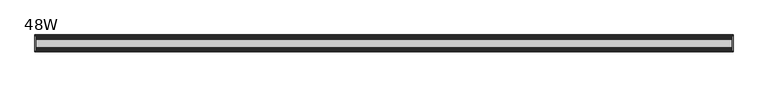
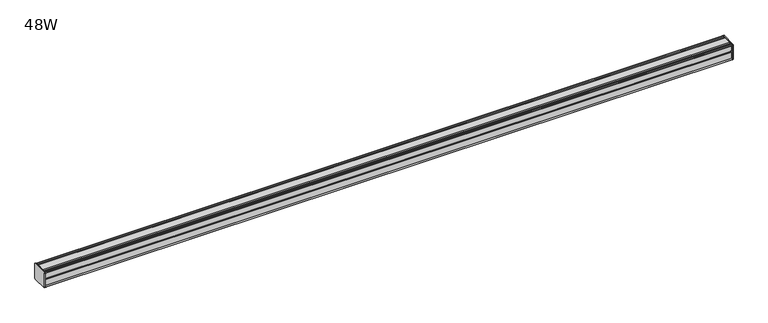
"""IFC4 building model written with IfcOpenShell, lengths in millimetres: furniture geometry, 48W."""

import ifcopenshell
import ifcopenshell.guid

model = None  # the IFC model being written
_history = None  # IfcOwnerHistory: only IFC2X3 demands one
_inside = {}  # id of a spatial element -> (the spatial element, [elements in it])
_under = {}  # id of a project, library or spatial element -> (it, [spatial elements below it])
_declared = {}  # id of a project -> (the project, [libraries it declares])
_typed = {}  # id of a type object -> (the type object, [elements of that type])
_made_of = {}  # id of a material, layer set ... -> (it, [elements and type objects made of it])


def new_model(schema):
    """Start an empty IFC model of exactly this schema.

    Asked for "IFC4X3", IfcOpenShell would pick the latest addendum, in which some entities
    have other attributes; the version numbers below select the first issue.
    IFC2X3 requires an IfcOwnerHistory on every rooted entity: one is made here for all.
    """
    global model, _history
    if schema == "IFC4X3":
        model = ifcopenshell.file(schema_version=(4, 3, 0, 0))
    else:
        model = ifcopenshell.file(schema=schema)
    _inside.clear()
    _under.clear()
    _declared.clear()
    _typed.clear()
    _made_of.clear()
    _history = None
    if model.schema == "IFC2X3":
        org = make("IfcOrganization", Name="unknown")
        user = make(
            "IfcPersonAndOrganization",
            ThePerson=make("IfcPerson", FamilyName="unknown"),
            TheOrganization=org,
        )
        app = make(
            "IfcApplication",
            ApplicationDeveloper=org,
            Version="unknown",
            ApplicationFullName="unknown",
            ApplicationIdentifier="unknown",
        )
        _history = make(
            "IfcOwnerHistory",
            OwningUser=user,
            OwningApplication=app,
            ChangeAction="ADDED",
            CreationDate=0,
        )
    return model


def make(cls, **values):
    """One entity of the class cls with the attributes given. An attribute that is None is left unset."""
    return model.create_entity(
        cls, **{name: value for name, value in values.items() if value is not None}
    )


def rooted(cls, **values):
    """An entity with a GlobalId (a new one), such as an element, a storey or a relation."""
    return make(cls, GlobalId=ifcopenshell.guid.new(), OwnerHistory=_history, **values)


def si_unit(unit_type, name, prefix=None):
    """IfcSIUnit, for example si_unit("LENGTHUNIT", "METRE", prefix="MILLI")."""
    return make("IfcSIUnit", UnitType=unit_type, Prefix=prefix, Name=name)


def assignment(units):
    """IfcUnitAssignment: the units of a project."""
    return None if units is None else make("IfcUnitAssignment", Units=units)


def point(xyz):
    """IfcCartesianPoint."""
    return None if xyz is None else make("IfcCartesianPoint", Coordinates=xyz)


def direction(xyz):
    """IfcDirection."""
    return None if xyz is None else make("IfcDirection", DirectionRatios=xyz)


def frame(location, z_axis=None, x_axis=None):
    """IfcAxis2Placement3D, a coordinate frame: its origin and axes. An axis left out is left unset."""
    return make(
        "IfcAxis2Placement3D",
        Location=point(location),
        Axis=direction(z_axis),
        RefDirection=direction(x_axis),
    )


def origin():
    """The frame at (0, 0, 0) with its axes left unset."""
    return frame((0.0, 0.0, 0.0))


def place(relative_to, where):
    """IfcLocalPlacement: puts the frame where relative to a parent placement (None: the world)."""
    return make(
        "IfcLocalPlacement", PlacementRelTo=relative_to, RelativePlacement=where
    )


def context(
    kind, dimensions, precision=None, world=None, true_north=None, identifier=None
):
    """IfcGeometricRepresentationContext, for example the 3D "Model" context."""
    return make(
        "IfcGeometricRepresentationContext",
        ContextIdentifier=identifier,
        ContextType=kind,
        CoordinateSpaceDimension=dimensions,
        Precision=precision,
        WorldCoordinateSystem=world,
        TrueNorth=true_north,
    )


def project(units=None, contexts=None):
    """IfcProject with its units and contexts."""
    return rooted(
        "IfcProject",
        Name="project",
        RepresentationContexts=contexts,
        UnitsInContext=assignment(units),
    )


def spatial(cls, under=None, at=None, **own):
    """A site, building, storey or space (cls), placed at a placement, below another one or the project."""
    s = rooted(cls, ObjectPlacement=at, **own)
    if under is not None:
        _under.setdefault(under.id(), (under, []))[1].append(s)
    return s


def circle_curve(where, radius):
    """IfcCircle in the frame where."""
    return make("IfcCircle", Position=where, Radius=radius)


def shape(context_of_items, identifier, shape_type, items):
    """IfcShapeRepresentation: the items that make up one representation, for example the "Body"."""
    return make(
        "IfcShapeRepresentation",
        ContextOfItems=context_of_items,
        RepresentationIdentifier=identifier,
        RepresentationType=shape_type,
        Items=items,
    )


def source(mapping_origin, context_of_items, identifier, shape_type, items):
    """IfcRepresentationMap: a shape defined once, which mapped items show again and again."""
    return make(
        "IfcRepresentationMap",
        MappingOrigin=mapping_origin,
        MappedRepresentation=shape(context_of_items, identifier, shape_type, items),
    )


def transform(
    local_origin,
    x_axis=None,
    y_axis=None,
    z_axis=None,
    scale=None,
    scale2=None,
    scale3=None,
    uniform=True,
):
    """IfcCartesianTransformationOperator3D, or its non-uniform kind. x_axis, y_axis, z_axis: its Axis1, 2, 3."""
    if uniform:
        return make(
            "IfcCartesianTransformationOperator3D",
            Axis1=direction(x_axis),
            Axis2=direction(y_axis),
            LocalOrigin=point(local_origin),
            Scale=scale,
            Axis3=direction(z_axis),
        )
    return make(
        "IfcCartesianTransformationOperator3DnonUniform",
        Axis1=direction(x_axis),
        Axis2=direction(y_axis),
        LocalOrigin=point(local_origin),
        Scale=scale,
        Axis3=direction(z_axis),
        Scale2=scale2,
        Scale3=scale3,
    )


def mapped(mapping_source, mapping_target):
    """IfcMappedItem: shows the shape of a source again, moved by a transform."""
    return make(
        "IfcMappedItem", MappingSource=mapping_source, MappingTarget=mapping_target
    )


def made_of(thing, what):
    """Note that an element or type object is made of a material, layer set ...; save() writes the relation."""
    if what is not None:
        _made_of.setdefault(what.id(), (what, []))[1].append(thing)
    return thing


def element(
    cls,
    number,
    at=None,
    inside=None,
    cuts=None,
    type_object=None,
    material=None,
    context=None,
    identifier="Body",
    shape_type=None,
    held_by="IfcProductDefinitionShape",
    body=None,
    shapes=None,
    **own,
):
    """One element of the class cls, such as IfcWall. Its Tag is "e" and its number.

    at: its placement. inside: the storey or other place that contains it. cuts: it is an
    opening in that element (IfcRelVoidsElement). A single representation is given by context,
    identifier, shape_type and body (its items); several are given by shapes. held_by: the class
    of the entity that holds the representations. save() writes the other relations.
    """
    e = rooted(cls, Tag="e%d" % number, ObjectPlacement=at, **own)
    if body is not None:
        shapes = [shape(context, identifier, shape_type, body)]
    if shapes is not None:
        e.Representation = make(held_by, Representations=shapes)
    if inside is not None:
        _inside.setdefault(inside.id(), (inside, []))[1].append(e)
    if cuts is not None:
        rooted(
            "IfcRelVoidsElement", RelatingBuildingElement=cuts, RelatedOpeningElement=e
        )
    if type_object is not None:
        _typed.setdefault(type_object.id(), (type_object, []))[1].append(e)
    return made_of(e, material)


def aggregate(whole, parts):
    """IfcRelAggregates: a whole, such as a stair, and the parts it consists of."""
    return rooted("IfcRelAggregates", RelatingObject=whole, RelatedObjects=parts)


def save(model, path):
    """Write the relations noted so far, then the file.

    IfcRelAggregates (storeys below a building ...), IfcRelContainedInSpatialStructure (elements
    in a storey), IfcRelDefinesByType, IfcRelAssociatesMaterial and IfcRelDeclares: one each for
    every whole, place, type object, material and project.
    """
    for whole, parts in _under.values():
        aggregate(whole, parts)
    for where, things in _inside.values():
        rooted(
            "IfcRelContainedInSpatialStructure",
            RelatedElements=things,
            RelatingStructure=where,
        )
    for kind, things in _typed.values():
        rooted("IfcRelDefinesByType", RelatedObjects=things, RelatingType=kind)
    for what, things in _made_of.values():
        rooted("IfcRelAssociatesMaterial", RelatedObjects=things, RelatingMaterial=what)
    for by, libraries in _declared.values():
        rooted("IfcRelDeclares", RelatingContext=by, RelatedDefinitions=libraries)
    model.write(path)


def plane_surface(at):
    """IfcPlane: the flat surface through the origin of the frame at, square to its z axis."""
    return make("IfcPlane", Position=at)


def cylinder_surface(at, radius):
    """IfcCylindricalSurface: all points at the distance radius from the z axis of the frame at."""
    return make("IfcCylindricalSurface", Position=at, Radius=radius)


def advanced_brep(points, edges, surfaces, faces):
    """IfcAdvancedBrep: a solid bounded by faces that lie on surfaces and meet in shared edges.

    An edge is (start, end): straight between two places in points (the first is 0);
    or (start, end, curve); or (start, end, curve, False) where it runs against its curve.
    A face is (place in surfaces, loops), or (place, loops, False) where it looks against
    its surface's normal. A loop lists edges by number (the first is 1), with a minus sign
    where the edge is run from its end to its start. The first loop is the outer one.
    """
    corners = [point(p) for p in points]
    vertices = [make("IfcVertexPoint", VertexGeometry=c) for c in corners]
    made = []
    for start, end, *more in edges:
        made.append(
            make(
                "IfcEdgeCurve",
                EdgeStart=vertices[start],
                EdgeEnd=vertices[end],
                EdgeGeometry=more[0] if more else make("IfcPolyline", Points=[corners[start], corners[end]]),
                SameSense=more[1] if len(more) > 1 else True,
            )
        )
    hull = []
    for where, loops, *sense in faces:
        bounds = []
        for j, loop in enumerate(loops):
            ring = [make("IfcOrientedEdge", EdgeElement=made[abs(k) - 1], Orientation=k > 0) for k in loop]
            bounds.append(
                make(
                    "IfcFaceOuterBound" if j == 0 else "IfcFaceBound",
                    Bound=make("IfcEdgeLoop", EdgeList=ring),
                    Orientation=True,
                )
            )
        hull.append(make("IfcAdvancedFace", Bounds=bounds, FaceSurface=surfaces[where], SameSense=sense[0] if sense else True))
    return make("IfcAdvancedBrep", Outer=make("IfcClosedShell", CfsFaces=hull))


def furniture_48w_bafc98e0(model_context):
    return source(origin(), model_context, "Body", "AdvancedBrep", [
        advanced_brep(
        [(608.0125, 14.5851562, 1373.9436262), (608.0125, 14.5851562, 1347.7932877), (608.0125, 14.4138595, 1346.9873997), (608.0125, 13.8374434, 1346.4109837), (608.0125, 12.9019306, 1346.1603131), (608.0125, -13.4067434, 1346.1603131), (608.0125, -14.3040014, 1347.0575711), (608.0125, -14.5851563, 1347.8259798), (608.0125, -14.5851563, 1373.7443327), (608.0125, -14.3040014, 1374.5127414), (608.0125, -13.4464303, 1375.3703125), (608.0125, 13.0500437, 1375.3703125), (608.0125, 13.8374434, 1375.1593288), (608.0125, 14.4138595, 1374.5829128), (609.6, 14.6248431, 1373.7955131), (609.6, 14.4138595, 1374.5829128), (609.6, 13.8374434, 1375.1593288), (609.6, 13.0500437, 1375.3703125), (609.6, -13.4464303, 1375.3703125), (609.6, -14.3040014, 1374.5127414), (609.6, -14.5851563, 1373.7443327), (609.6, -14.5851563, 1347.8259798), (609.6, -14.3040014, 1347.0575711), (609.6, -13.4067434, 1346.1603131), (609.6, 12.9019306, 1346.1603131), (609.6, 13.8374434, 1346.4109837), (609.6, 14.4138595, 1346.9873997), (609.6, 14.5851562, 1347.7932877)],
        [
            (0, 1),
            (1, 2),
            (2, 3),
            (3, 4),
            (4, 5),
            (5, 6),
            (6, 7, circle_curve(frame((608.0125, -13.3945313, 1347.8259798), z_axis=(-1.0, 0.0, 0.0), x_axis=(0.0, 1.0, 0.0)), 1.190625)),
            (7, 8),
            (8, 9, circle_curve(frame((608.0125, -13.3945313, 1373.7443327), z_axis=(-1.0, 0.0, 0.0), x_axis=(0.0, 1.0, 0.0)), 1.190625)),
            (9, 10),
            (10, 11),
            (11, 12),
            (12, 13),
            (13, 0),
            (14, 15),
            (15, 16),
            (16, 17),
            (17, 18),
            (18, 19),
            (19, 20, circle_curve(frame((609.6, -13.3945313, 1373.7443327), z_axis=(1.0, 0.0, 0.0), x_axis=(0.0, 1.0, 0.0)), 1.190625)),
            (20, 21),
            (21, 22, circle_curve(frame((609.6, -13.3945313, 1347.8259798), z_axis=(1.0, 0.0, 0.0), x_axis=(0.0, 1.0, 0.0)), 1.190625)),
            (22, 23),
            (23, 24),
            (24, 25),
            (25, 26),
            (26, 27),
            (27, 14),
            (13, 15),
            (14, 0),
            (12, 16),
            (11, 17),
            (10, 18),
            (9, 19),
            (8, 20),
            (7, 21),
            (6, 22),
            (5, 23),
            (4, 24),
            (3, 25),
            (2, 26),
            (1, 27),
        ],
        [
            plane_surface(frame((608.0125, 14.5851562, 1347.7932877), z_axis=(-1.0, 0.0, 0.0), x_axis=(0.0, 0.0, -1.0))),
            plane_surface(frame((609.6, 14.5851562, 1347.7932877), z_axis=(1.0, 0.0, 0.0), x_axis=(0.0, 0.0, 1.0))),
            plane_surface(frame((608.0125, 14.4138595, 1374.5829128), z_axis=(0.0, 0.9659256560349858, 0.25881968049857096), x_axis=(1.0, 0.0, 0.0))),
            plane_surface(frame((608.0125, 13.8374434, 1375.1593288), z_axis=(0.0, 0.7071067811866345, 0.7071067811864606), x_axis=(1.0, 0.0, 0.0))),
            plane_surface(frame((608.0125, 13.0500437, 1375.3703125), z_axis=(0.0, 0.25881968048234233, 0.9659256560393343), x_axis=(1.0, 0.0, 0.0))),
            plane_surface(frame((608.0125, -13.4464303, 1375.3703125), z_axis=(0.0, 0.0, 1.0), x_axis=(1.0, 0.0, 0.0))),
            plane_surface(frame((608.0125, -14.3040014, 1374.5127414), z_axis=(0.0, -0.7071067811807561, 0.707106781192339), x_axis=(1.0, 0.0, 0.0))),
            cylinder_surface(frame((609.6, -13.3945313, 1373.7443327), z_axis=(-1.0, 0.0, 0.0), x_axis=(0.0, 1.0, 0.0)), 1.190625),
            plane_surface(frame((608.0125, -14.5851563, 1347.8259798), z_axis=(0.0, -1.0, 0.0), x_axis=(1.0, 0.0, 0.0))),
            cylinder_surface(frame((609.6, -13.3945313, 1347.8259798), z_axis=(-1.0, 0.0, 0.0), x_axis=(0.0, 1.0, 0.0)), 1.190625),
            plane_surface(frame((608.0125, -13.4067434, 1346.1603131), z_axis=(0.0, -0.7071067811894153, -0.7071067811836799), x_axis=(1.0, 0.0, 0.0))),
            plane_surface(frame((608.0125, 12.9019306, 1346.1603131), z_axis=(0.0, 0.0, -1.0), x_axis=(1.0, 0.0, 0.0))),
            plane_surface(frame((608.0125, 13.8374434, 1346.4109837), z_axis=(0.0, 0.25881968049856396, -0.9659256560349876), x_axis=(1.0, 0.0, 0.0))),
            plane_surface(frame((608.0125, 14.4138595, 1346.9873997), z_axis=(0.0, 0.7071067811865204, -0.7071067811865748), x_axis=(1.0, 0.0, 0.0))),
            plane_surface(frame((608.0125, 14.5851562, 1347.7932877), z_axis=(0.0, 0.9781476007322519, -0.2079116908250694), x_axis=(1.0, 0.0, 0.0))),
            plane_surface(frame((608.0125, 14.5851562, 1373.9436262), z_axis=(0.0, 1.0, 0.0), x_axis=(1.0, 0.0, 0.0))),
        ],
        [
            (0, [[1, 2, 3, 4, 5, 6, 7, 8, 9, 10, 11, 12, 13, 14]]),
            (1, [[15, 16, 17, 18, 19, 20, 21, 22, 23, 24, 25, 26, 27, 28]]),
            (2, [[-14, 29, -15, 30]]),
            (3, [[-13, 31, -16, -29]]),
            (4, [[-12, 32, -17, -31]]),
            (5, [[-11, 33, -18, -32]]),
            (6, [[-10, 34, -19, -33]]),
            (7, [[-9, 35, -20, -34]]),
            (8, [[-8, 36, -21, -35]]),
            (9, [[-7, 37, -22, -36]]),
            (10, [[-6, 38, -23, -37]]),
            (11, [[-5, 39, -24, -38]]),
            (12, [[-4, 40, -25, -39]]),
            (13, [[-3, 41, -26, -40]]),
            (14, [[-2, 42, -27, -41]]),
            (15, [[-1, -30, -28, -42]]),
        ],
    ),
        advanced_brep(
        [(-608.0125, 14.6248431, 1373.7955131), (-608.0125, 14.4138595, 1374.5829128), (-608.0125, 13.8374434, 1375.1593288), (-608.0125, 13.0500437, 1375.3703125), (-608.0125, -13.4464303, 1375.3703125), (-608.0125, -14.3040014, 1374.5127414), (-608.0125, -14.5851563, 1373.7443327), (-608.0125, -14.5851563, 1347.8259798), (-608.0125, -14.3040014, 1347.0575711), (-608.0125, -13.4067434, 1346.1603131), (-608.0125, 12.9019306, 1346.1603131), (-608.0125, 13.8374434, 1346.4109837), (-608.0125, 14.4138595, 1346.9873997), (-608.0125, 14.5851562, 1347.7932877), (-609.6, 14.5851562, 1373.9436262), (-609.6, 14.5851562, 1347.7932877), (-609.6, 14.4138595, 1346.9873997), (-609.6, 13.8374434, 1346.4109837), (-609.6, 12.9019306, 1346.1603131), (-609.6, -13.4067434, 1346.1603131), (-609.6, -14.3040014, 1347.0575711), (-609.6, -14.5851563, 1347.8259798), (-609.6, -14.5851563, 1373.7443327), (-609.6, -14.3040014, 1374.5127414), (-609.6, -13.4464303, 1375.3703125), (-609.6, 13.0500437, 1375.3703125), (-609.6, 13.8374434, 1375.1593288), (-609.6, 14.4138595, 1374.5829128)],
        [
            (0, 1),
            (1, 2),
            (2, 3),
            (3, 4),
            (4, 5),
            (5, 6, circle_curve(frame((-608.0125, -13.3945313, 1373.7443327), z_axis=(1.0, 0.0, 0.0), x_axis=(0.0, 1.0, 0.0)), 1.190625)),
            (6, 7),
            (7, 8, circle_curve(frame((-608.0125, -13.3945313, 1347.8259798), z_axis=(1.0, 0.0, 0.0), x_axis=(0.0, 1.0, 0.0)), 1.190625)),
            (8, 9),
            (9, 10),
            (10, 11),
            (11, 12),
            (12, 13),
            (13, 0),
            (14, 15),
            (15, 16),
            (16, 17),
            (17, 18),
            (18, 19),
            (19, 20),
            (20, 21, circle_curve(frame((-609.6, -13.3945313, 1347.8259798), z_axis=(-1.0, 0.0, 0.0), x_axis=(0.0, 1.0, 0.0)), 1.190625)),
            (21, 22),
            (22, 23, circle_curve(frame((-609.6, -13.3945313, 1373.7443327), z_axis=(-1.0, 0.0, 0.0), x_axis=(0.0, 1.0, 0.0)), 1.190625)),
            (23, 24),
            (24, 25),
            (25, 26),
            (26, 27),
            (27, 14),
            (0, 14),
            (27, 1),
            (26, 2),
            (25, 3),
            (24, 4),
            (23, 5),
            (22, 6),
            (21, 7),
            (20, 8),
            (19, 9),
            (18, 10),
            (17, 11),
            (16, 12),
            (15, 13),
        ],
        [
            plane_surface(frame((-608.0125, 14.6248431, 1373.7955131), z_axis=(1.0, 0.0, 0.0), x_axis=(0.0, -0.2588196804654467, 0.9659256560438614))),
            plane_surface(frame((-609.6, 14.6248431, 1373.7955131), z_axis=(-1.0, 0.0, 0.0), x_axis=(0.0, 0.2588196804654467, -0.9659256560438614))),
            plane_surface(frame((-608.0125, 14.6248431, 1373.7955131), z_axis=(0.0, 0.9659256560438614, 0.2588196804654467), x_axis=(-1.0, 0.0, 0.0))),
            plane_surface(frame((-608.0125, 14.4138595, 1374.5829128), z_axis=(0.0, 0.7071067811204292, 0.7071067812526658), x_axis=(-1.0, 0.0, 0.0))),
            plane_surface(frame((-608.0125, 13.8374434, 1375.1593288), z_axis=(0.0, 0.25881968048975534, 0.9659256560373479), x_axis=(-1.0, 0.0, 0.0))),
            plane_surface(frame((-608.0125, 13.0500437, 1375.3703125), z_axis=(0.0, 0.0, 1.0), x_axis=(-1.0, 0.0, 0.0))),
            plane_surface(frame((-608.0125, -13.4464303, 1375.3703125), z_axis=(0.0, -0.7071067811870986, 0.7071067811859965), x_axis=(-1.0, 0.0, 0.0))),
            cylinder_surface(frame((-609.6, -13.3945313, 1373.7443327), z_axis=(1.0, 0.0, 0.0), x_axis=(0.0, 1.0, 0.0)), 1.190625),
            plane_surface(frame((-608.0125, -14.5851563, 1373.7443327), z_axis=(0.0, -1.0, 0.0), x_axis=(-1.0, 0.0, 0.0))),
            cylinder_surface(frame((-609.6, -13.3945313, 1347.8259798), z_axis=(1.0, 0.0, 0.0), x_axis=(0.0, 1.0, 0.0)), 1.190625),
            plane_surface(frame((-608.0125, -14.3040014, 1347.0575711), z_axis=(0.0, -0.7071067811865341, -0.7071067811865609), x_axis=(-1.0, 0.0, 0.0))),
            plane_surface(frame((-608.0125, -13.4067434, 1346.1603131), z_axis=(0.0, 0.0, -1.0), x_axis=(-1.0, 0.0, 0.0))),
            plane_surface(frame((-608.0125, 12.9019306, 1346.1603131), z_axis=(0.0, 0.25881968049856563, -0.9659256560349873), x_axis=(-1.0, 0.0, 0.0))),
            plane_surface(frame((-608.0125, 13.8374434, 1346.4109837), z_axis=(0.0, 0.707106781186519, -0.7071067811865761), x_axis=(-1.0, 0.0, 0.0))),
            plane_surface(frame((-608.0125, 14.4138595, 1346.9873997), z_axis=(0.0, 0.9781476007324962, -0.20791169082391994), x_axis=(-1.0, 0.0, 0.0))),
            plane_surface(frame((-608.0125, 14.5851562, 1347.7932877), z_axis=(0.0, 1.0, 0.0), x_axis=(-1.0, 0.0, 0.0))),
        ],
        [
            (0, [[1, 2, 3, 4, 5, 6, 7, 8, 9, 10, 11, 12, 13, 14]]),
            (1, [[15, 16, 17, 18, 19, 20, 21, 22, 23, 24, 25, 26, 27, 28]]),
            (2, [[-1, 29, -28, 30]]),
            (3, [[-2, -30, -27, 31]]),
            (4, [[-3, -31, -26, 32]]),
            (5, [[-4, -32, -25, 33]]),
            (6, [[-5, -33, -24, 34]]),
            (7, [[-6, -34, -23, 35]]),
            (8, [[-7, -35, -22, 36]]),
            (9, [[-8, -36, -21, 37]]),
            (10, [[-9, -37, -20, 38]]),
            (11, [[-10, -38, -19, 39]]),
            (12, [[-11, -39, -18, 40]]),
            (13, [[-12, -40, -17, 41]]),
            (14, [[-13, -41, -16, 42]]),
            (15, [[-14, -42, -15, -29]]),
        ],
    ),
        advanced_brep(
        [(608.0125, -7.3748315, 1375.3703125), (608.0125, -8.9105708, 1374.3395796), (608.0125, -10.7601399, 1374.3395796), (608.0125, -12.2958792, 1375.3703125), (608.0125, -13.4464303, 1375.3703125), (608.0125, -14.3040014, 1374.5127414), (608.0125, -13.3945313, 1372.5537077), (608.0125, -13.3945313, 1373.465312), (608.0125, -12.2039063, 1373.465312), (608.0125, -12.2039063, 1361.5590632), (608.0125, -11.4101564, 1360.7653134), (608.0125, -12.2039063, 1359.9715636), (608.0125, -12.2039063, 1348.0653131), (608.0125, -13.3945313, 1348.0653131), (608.0125, -13.3945313, 1349.0166048), (608.0125, -14.3040014, 1347.0575711), (608.0125, -13.4067434, 1346.1603131), (608.0125, -12.2958792, 1346.1603131), (608.0125, -10.7601399, 1347.1910471), (608.0125, -8.9105708, 1347.1910471), (608.0125, -7.4339628, 1346.2), (608.0125, 7.4145184, 1346.2), (608.0125, 8.9502576, 1347.2307329), (608.0125, 10.7998291, 1347.2307329), (608.0125, 12.2275037, 1346.2), (608.0125, 13.0500437, 1346.2), (608.0125, 13.8374434, 1346.4109837), (608.0125, 14.4138595, 1346.9873997), (608.0125, 14.5851562, 1347.7932877), (608.0125, 14.5851562, 1373.9436262), (608.0125, 14.4138595, 1374.5829128), (608.0125, 13.8374434, 1375.1593288), (608.0125, 13.0500437, 1375.3703125), (608.0125, 12.2275037, 1375.3703125), (608.0125, 10.7998291, 1374.3395796), (608.0125, 8.9502576, 1374.3395796), (608.0125, 7.4145184, 1375.3703125), (-608.0125, -7.3748315, 1375.3703125), (-608.0125, 7.4145184, 1375.3703125), (-608.0125, 8.9502576, 1374.3395796), (-608.0125, 10.7998291, 1374.3395796), (-608.0125, 12.2275037, 1375.3703125), (-608.0125, 13.0500437, 1375.3703125), (-608.0125, 13.8374434, 1375.1593288), (-608.0125, 14.4138595, 1374.5829128), (-608.0125, 14.6248431, 1373.7955131), (-608.0125, 14.5851562, 1347.7932877), (-608.0125, 14.4138595, 1346.9873997), (-608.0125, 13.8374434, 1346.4109837), (-608.0125, 13.0500437, 1346.2), (-608.0125, 12.2275037, 1346.2), (-608.0125, 10.7998291, 1347.2307329), (-608.0125, 8.9502576, 1347.2307329), (-608.0125, 7.4145184, 1346.2), (-608.0125, -7.4339628, 1346.2), (-608.0125, -8.9105708, 1347.1910471), (-608.0125, -10.7601399, 1347.1910471), (-608.0125, -12.2958792, 1346.1603131), (-608.0125, -13.4067434, 1346.1603131), (-608.0125, -14.3040014, 1347.0575711), (-608.0125, -13.3945313, 1349.0166048), (-608.0125, -13.3945313, 1348.0653131), (-608.0125, -12.2039063, 1348.0653131), (-608.0125, -12.2039063, 1359.9715636), (-608.0125, -11.4101564, 1360.7653134), (-608.0125, -12.2039063, 1361.5590632), (-608.0125, -12.2039063, 1373.465312), (-608.0125, -13.3945313, 1373.465312), (-608.0125, -13.3945313, 1372.5537077), (-608.0125, -14.3040014, 1374.5127414), (-608.0125, -13.4464303, 1375.3703125), (-608.0125, -12.2958792, 1375.3703125), (-608.0125, -10.7601399, 1374.3395796), (-608.0125, -8.9105708, 1374.3395796)],
        [
            (0, 1),
            (1, 2),
            (2, 3),
            (3, 4),
            (4, 5),
            (5, 6, circle_curve(frame((608.0125, -13.3945313, 1373.7443327), z_axis=(1.0, 0.0, 0.0), x_axis=(0.0, 1.0, 0.0)), 1.190625)),
            (6, 7),
            (7, 8),
            (8, 9),
            (9, 10),
            (10, 11),
            (11, 12),
            (12, 13),
            (13, 14),
            (14, 15, circle_curve(frame((608.0125, -13.3945313, 1347.8259798), z_axis=(1.0, 0.0, 0.0), x_axis=(0.0, 1.0, 0.0)), 1.190625)),
            (15, 16),
            (16, 17),
            (17, 18),
            (18, 19),
            (19, 20),
            (20, 21),
            (21, 22),
            (22, 23),
            (23, 24),
            (24, 25),
            (25, 26),
            (26, 27),
            (27, 28),
            (28, 29),
            (29, 30),
            (30, 31),
            (31, 32),
            (32, 33),
            (33, 34),
            (34, 35),
            (35, 36),
            (36, 0),
            (37, 38),
            (38, 39),
            (39, 40),
            (40, 41),
            (41, 42),
            (42, 43),
            (43, 44),
            (44, 45),
            (45, 46),
            (46, 47),
            (47, 48),
            (48, 49),
            (49, 50),
            (50, 51),
            (51, 52),
            (52, 53),
            (53, 54),
            (54, 55),
            (55, 56),
            (56, 57),
            (57, 58),
            (58, 59),
            (59, 60, circle_curve(frame((-608.0125, -13.3945313, 1347.8259798), z_axis=(-1.0, 0.0, 0.0), x_axis=(0.0, 1.0, 0.0)), 1.190625)),
            (60, 61),
            (61, 62),
            (62, 63),
            (63, 64),
            (64, 65),
            (65, 66),
            (66, 67),
            (67, 68),
            (68, 69, circle_curve(frame((-608.0125, -13.3945313, 1373.7443327), z_axis=(-1.0, 0.0, 0.0), x_axis=(0.0, 1.0, 0.0)), 1.190625)),
            (69, 70),
            (70, 71),
            (71, 72),
            (72, 73),
            (73, 37),
            (0, 37),
            (73, 1),
            (72, 2),
            (71, 3),
            (70, 4),
            (69, 5),
            (68, 6),
            (67, 7),
            (66, 8),
            (65, 9),
            (64, 10),
            (63, 11),
            (62, 12),
            (61, 13),
            (60, 14),
            (59, 15),
            (58, 16),
            (57, 17),
            (56, 18),
            (55, 19),
            (54, 20),
            (53, 21),
            (52, 22),
            (51, 23),
            (50, 24),
            (49, 25),
            (48, 26),
            (47, 27),
            (46, 28),
            (45, 29),
            (44, 30),
            (43, 31),
            (42, 32),
            (41, 33),
            (40, 34),
            (39, 35),
            (38, 36),
        ],
        [
            plane_surface(frame((608.0125, -7.3748315, 1375.3703125), z_axis=(1.0000000000000002, 0.0, 0.0), x_axis=(0.0, -0.8303227972591122, -0.5572827400447671))),
            plane_surface(frame((-608.0125, -7.3748315, 1375.3703125), z_axis=(-1.0000000000000002, 0.0, 0.0), x_axis=(0.0, 0.8303227972591122, 0.5572827400447671))),
            plane_surface(frame((608.0125, -7.3748315, 1375.3703125), z_axis=(0.0, -0.5572827400447671, 0.8303227972591122), x_axis=(-1.0, 0.0, 0.0))),
            plane_surface(frame((608.0125, -8.9105708, 1374.3395796), z_axis=(0.0, 0.0, 1.0), x_axis=(-1.0, 0.0, 0.0))),
            plane_surface(frame((608.0125, -10.7601399, 1374.3395796), z_axis=(0.0, 0.5572827400447673, 0.8303227972591121), x_axis=(-1.0, 0.0, 0.0))),
            plane_surface(frame((608.0125, -12.2958792, 1375.3703125), z_axis=(0.0, 0.0, 1.0), x_axis=(-1.0, 0.0, 0.0))),
            plane_surface(frame((608.0125, -13.4464303, 1375.3703125), z_axis=(0.0, -0.7071067811833291, 0.7071067811897659), x_axis=(-1.0, 0.0, 0.0))),
            cylinder_surface(frame((-608.0125, -13.3945313, 1373.7443327), z_axis=(1.0, 0.0, 0.0), x_axis=(0.0, 1.0, 0.0)), 1.190625),
            plane_surface(frame((608.0125, -13.3945313, 1372.5537077), z_axis=(0.0, 1.0, 0.0), x_axis=(-1.0, 0.0, 0.0))),
            plane_surface(frame((608.0125, -13.3945313, 1373.465312), z_axis=(0.0, 0.0, -1.0), x_axis=(-1.0, 0.0, 0.0))),
            plane_surface(frame((608.0125, -12.2039063, 1373.465312), z_axis=(0.0, -1.0, 0.0), x_axis=(-1.0, 0.0, 0.0))),
            plane_surface(frame((608.0125, -12.2039063, 1361.5590632), z_axis=(0.0, -0.7071067811865249, -0.7071067811865701), x_axis=(-1.0, 0.0, 0.0))),
            plane_surface(frame((608.0125, -11.4101564, 1360.7653134), z_axis=(0.0, -0.7071067811865522, 0.7071067811865428), x_axis=(-1.0, 0.0, 0.0))),
            plane_surface(frame((608.0125, -12.2039063, 1359.9715636), z_axis=(0.0, -1.0, 0.0), x_axis=(-1.0, 0.0, 0.0))),
            plane_surface(frame((608.0125, -12.2039063, 1348.0653131), z_axis=(0.0, 0.0, 1.0), x_axis=(-1.0, 0.0, 0.0))),
            plane_surface(frame((608.0125, -13.3945313, 1348.0653131), z_axis=(0.0, 1.0, 0.0), x_axis=(-1.0, 0.0, 0.0))),
            cylinder_surface(frame((-608.0125, -13.3945313, 1347.8259798), z_axis=(1.0, 0.0, 0.0), x_axis=(0.0, 1.0, 0.0)), 1.190625),
            plane_surface(frame((608.0125, -14.3040014, 1347.0575711), z_axis=(0.0, -0.7071067811865901, -0.707106781186505), x_axis=(-1.0, 0.0, 0.0))),
            plane_surface(frame((608.0125, -13.4067434, 1346.1603131), z_axis=(0.0, 0.0, -1.0), x_axis=(-1.0, 0.0, 0.0))),
            plane_surface(frame((608.0125, -12.2958792, 1346.1603131), z_axis=(0.0, 0.5572831632988446, -0.8303225131860712), x_axis=(-1.0, 0.0, 0.0))),
            plane_surface(frame((608.0125, -10.7601399, 1347.1910471), z_axis=(0.0, 0.0, -1.0), x_axis=(-1.0, 0.0, 0.0))),
            plane_surface(frame((608.0125, -8.9105708, 1347.1910471), z_axis=(0.0, -0.5572831633017836, -0.8303225131840987), x_axis=(-1.0, 0.0, 0.0))),
            plane_surface(frame((608.0125, -7.4339628, 1346.2), z_axis=(0.0, 0.0, -1.0), x_axis=(-1.0, 0.0, 0.0))),
            plane_surface(frame((608.0125, 7.4145184, 1346.2), z_axis=(0.0, 0.5572827400504189, -0.8303227972553188), x_axis=(-1.0, 0.0, 0.0))),
            plane_surface(frame((608.0125, 8.9502576, 1347.2307329), z_axis=(0.0, 0.0, -1.0), x_axis=(-1.0, 0.0, 0.0))),
            plane_surface(frame((608.0125, 10.7998291, 1347.2307329), z_axis=(0.0, -0.5853541342124147, -0.8107777362264177), x_axis=(-1.0, 0.0, 0.0))),
            plane_surface(frame((608.0125, 12.2275037, 1346.2), z_axis=(0.0, 0.0, -1.0), x_axis=(-1.0, 0.0, 0.0))),
            plane_surface(frame((608.0125, 13.0500437, 1346.2), z_axis=(0.0, 0.2588196804985639, -0.9659256560349877), x_axis=(-1.0, 0.0, 0.0))),
            plane_surface(frame((608.0125, 13.8374434, 1346.4109837), z_axis=(0.0, 0.7071067811865592, -0.7071067811865358), x_axis=(-1.0, 0.0, 0.0))),
            plane_surface(frame((608.0125, 14.4138595, 1346.9873997), z_axis=(0.0, 0.9781476007325025, -0.20791169082388997), x_axis=(-1.0, 0.0, 0.0))),
            plane_surface(frame((608.0125, 14.5851562, 1347.7932877), z_axis=(0.0, 1.0, 0.0), x_axis=(-1.0, 0.0, 0.0))),
            plane_surface(frame((608.0125, 14.6248431, 1373.7955131), z_axis=(0.0, 0.9659256560439059, 0.2588196804652809), x_axis=(-1.0, 0.0, 0.0))),
            plane_surface(frame((608.0125, 14.4138595, 1374.5829128), z_axis=(0.0, 0.7071067811199622, 0.7071067812531329), x_axis=(-1.0, 0.0, 0.0))),
            plane_surface(frame((608.0125, 13.8374434, 1375.1593288), z_axis=(0.0, 0.2588196804898881, 0.9659256560373124), x_axis=(-1.0, 0.0, 0.0))),
            plane_surface(frame((608.0125, 13.0500437, 1375.3703125), z_axis=(0.0, 0.0, 1.0), x_axis=(-1.0, 0.0, 0.0))),
            plane_surface(frame((608.0125, 12.2275037, 1375.3703125), z_axis=(0.0, -0.5853541342095849, 0.8107777362284607), x_axis=(-1.0, 0.0, 0.0))),
            plane_surface(frame((608.0125, 10.7998291, 1374.3395796), z_axis=(0.0, 0.0, 1.0), x_axis=(-1.0, 0.0, 0.0))),
            plane_surface(frame((608.0125, 8.9502576, 1374.3395796), z_axis=(0.0, 0.5572827400447673, 0.8303227972591121), x_axis=(-1.0, 0.0, 0.0))),
            plane_surface(frame((608.0125, 7.4145184, 1375.3703125), z_axis=(0.0, 0.0, 1.0), x_axis=(-1.0, 0.0, 0.0))),
        ],
        [
            (0, [[1, 2, 3, 4, 5, 6, 7, 8, 9, 10, 11, 12, 13, 14, 15, 16, 17, 18, 19, 20, 21, 22, 23, 24, 25, 26, 27, 28, 29, 30, 31, 32, 33, 34, 35, 36, 37]]),
            (1, [[38, 39, 40, 41, 42, 43, 44, 45, 46, 47, 48, 49, 50, 51, 52, 53, 54, 55, 56, 57, 58, 59, 60, 61, 62, 63, 64, 65, 66, 67, 68, 69, 70, 71, 72, 73, 74]]),
            (2, [[-1, 75, -74, 76]]),
            (3, [[-2, -76, -73, 77]]),
            (4, [[-3, -77, -72, 78]]),
            (5, [[-4, -78, -71, 79]]),
            (6, [[-5, -79, -70, 80]]),
            (7, [[-6, -80, -69, 81]]),
            (8, [[-7, -81, -68, 82]]),
            (9, [[-8, -82, -67, 83]]),
            (10, [[-9, -83, -66, 84]]),
            (11, [[-10, -84, -65, 85]]),
            (12, [[-11, -85, -64, 86]]),
            (13, [[-12, -86, -63, 87]]),
            (14, [[-13, -87, -62, 88]]),
            (15, [[-14, -88, -61, 89]]),
            (16, [[-15, -89, -60, 90]]),
            (17, [[-16, -90, -59, 91]]),
            (18, [[-17, -91, -58, 92]]),
            (19, [[-18, -92, -57, 93]]),
            (20, [[-19, -93, -56, 94]]),
            (21, [[-20, -94, -55, 95]]),
            (22, [[-21, -95, -54, 96]]),
            (23, [[-22, -96, -53, 97]]),
            (24, [[-23, -97, -52, 98]]),
            (25, [[-24, -98, -51, 99]]),
            (26, [[-25, -99, -50, 100]]),
            (27, [[-26, -100, -49, 101]]),
            (28, [[-27, -101, -48, 102]]),
            (29, [[-28, -102, -47, 103]]),
            (30, [[-29, -103, -46, 104]]),
            (31, [[-30, -104, -45, 105]]),
            (32, [[-31, -105, -44, 106]]),
            (33, [[-32, -106, -43, 107]]),
            (34, [[-33, -107, -42, 108]]),
            (35, [[-34, -108, -41, 109]]),
            (36, [[-35, -109, -40, 110]]),
            (37, [[-36, -110, -39, 111]]),
            (38, [[-37, -111, -38, -75]]),
        ],
    ),
    ])


if __name__ == "__main__":
    model = new_model("IFC4")
    model_context = context("Model", 3, world=origin())
    ifc_project = project(units=[si_unit("LENGTHUNIT", "METRE", prefix="MILLI")], contexts=[model_context])
    site = spatial("IfcSite", under=ifc_project)
    building = spatial("IfcBuilding", under=site)
    placement = place(None, origin())
    furniture_48w_shape = furniture_48w_bafc98e0(model_context)
    element("IfcFurniture", 1, ObjectType="48W", at=placement, inside=building, context=model_context, shape_type="MappedRepresentation", body=[
        mapped(furniture_48w_shape, transform((0.0, 0.0, 0.0), x_axis=(1.0, 0.0, 0.0), y_axis=(0.0, 1.0, 0.0), z_axis=(0.0, 0.0, 1.0))),
    ])
    save(model, "model.ifc")
